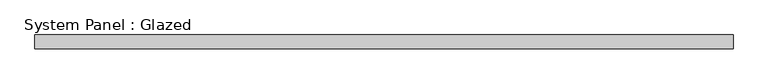
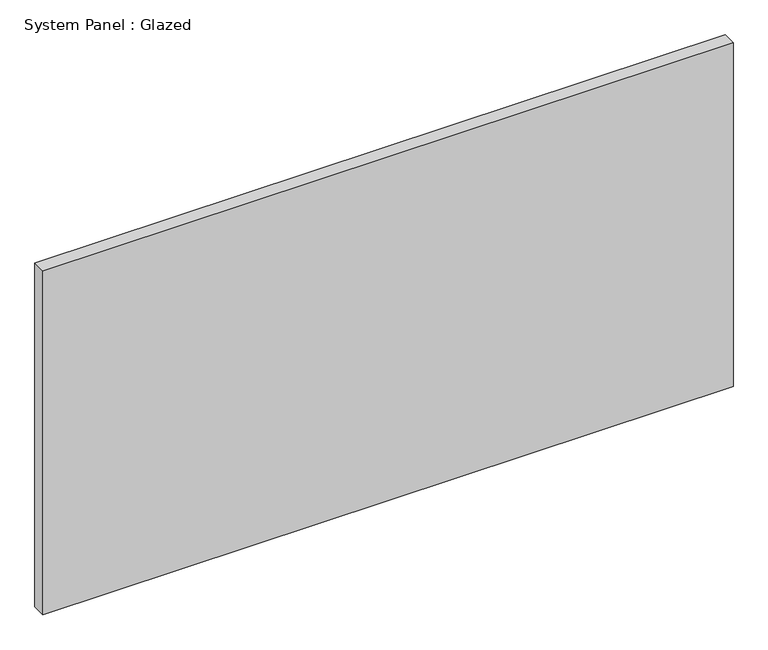
"""IFC4 building model written with IfcOpenShell, lengths in millimetres: plate geometry, System Panel : Glazed."""

from ifc_helpers import new_model, si_unit, origin, origin_with_axes, place, context, project, spatial, polyline, outline, extrude, source, transform, mapped, element, save


def system_panel_glazed_0d9d8e11(model_context):
    return source(origin(), model_context, "Body", "SweptSolid", [
        extrude(outline(polyline([(633.1957079, 19.05), (-633.1957079, 19.05), (-633.1957079, 44.45), (633.1957079, 44.45), (633.1957079, 19.05)])), origin_with_axes(), (0.0, 0.0, 1.0), 666.75),
    ])


if __name__ == "__main__":
    model = new_model("IFC4")
    model_context = context("Model", 3, world=origin())
    ifc_project = project(units=[si_unit("LENGTHUNIT", "METRE", prefix="MILLI")], contexts=[model_context])
    site = spatial("IfcSite", under=ifc_project)
    building = spatial("IfcBuilding", under=site)
    placement = place(None, origin())
    system_panel_glazed_shape = system_panel_glazed_0d9d8e11(model_context)
    element("IfcPlate", 1, ObjectType="System Panel : Glazed", at=placement, inside=building, context=model_context, shape_type="MappedRepresentation", body=[
        mapped(system_panel_glazed_shape, transform((0.0, 0.0, 0.0), x_axis=(1.0, 0.0, 0.0), y_axis=(0.0, 1.0, 0.0), z_axis=(0.0, 0.0, 1.0))),
    ])
    save(model, "model.ifc")
